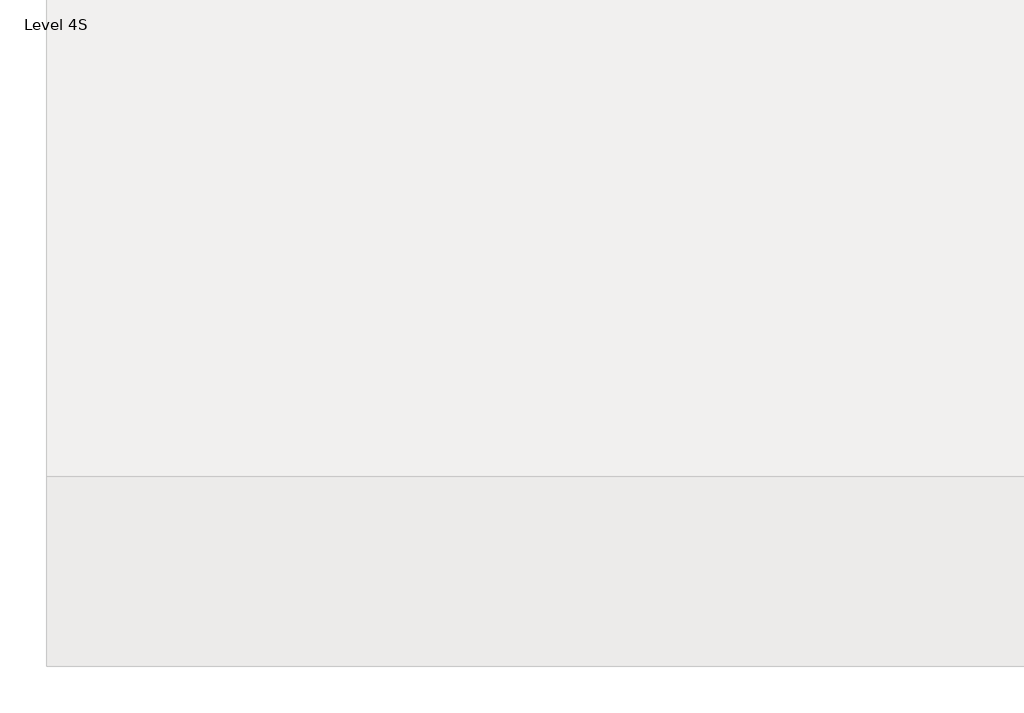
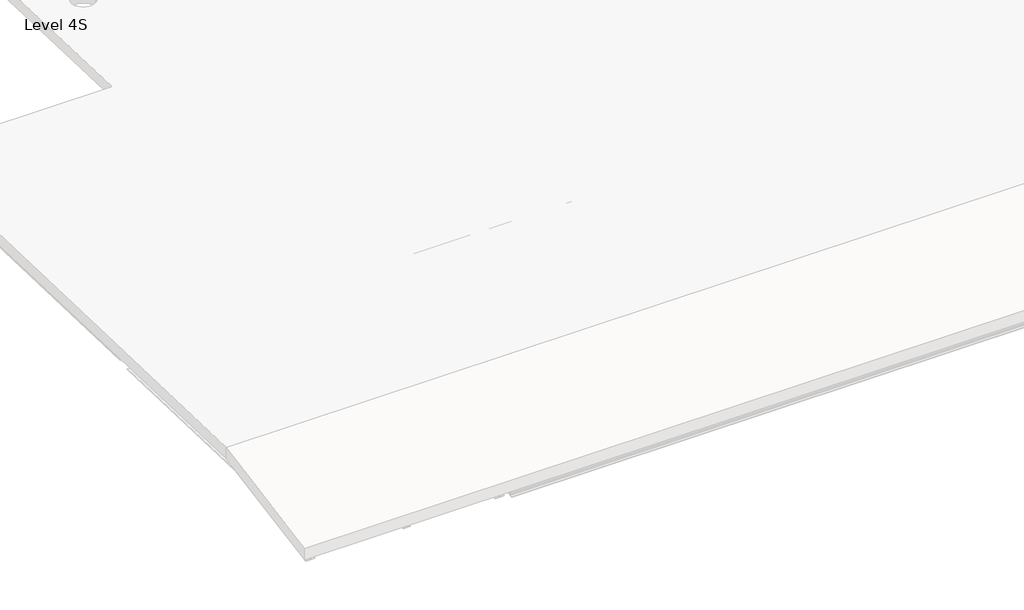
# One storey, part 2 of 15: 6 beams.
"""IFC4 building model written with IfcOpenShell, lengths in millimetres."""

from ifc_helpers import new_model, si_unit, frame, origin, place, context, project, spatial, polyline, circle_curve, ellipse_curve, element, save
from ifc_brep_helpers import plane_surface, revolved_surface, advanced_brep

model = new_model("IFC4")

# Units and contexts
model_context = context("Model", 3, world=origin())
ifc_project = project(units=[si_unit("LENGTHUNIT", "METRE", prefix="MILLI")], contexts=[model_context])

# Site, building, storey
site = spatial("IfcSite", under=ifc_project)
building = spatial("IfcBuilding", under=site)
storey = spatial("IfcBuildingStorey", under=building, Name="Level 4S", Elevation=15900.0)

# Beams
placement = place(None, origin())
element("IfcBeam", 1, ObjectType="IPE-Section : IPE 240", at=placement, inside=storey, context=model_context, shape_type="AdvancedBrep", body=[
    advanced_brep(
    [(-55658.8249186, -17939.7743579, 14716.8256418), (-55616.9249186, -17939.7743579, 14716.8256418), (-55601.9249186, -17939.2904535, 14731.8178343), (-55601.9249186, -17933.1480945, 14922.1187314), (-55616.9249186, -17932.6641901, 14937.1109239), (-55658.8249186, -17932.6641901, 14937.1109239), (-55658.8249186, -17932.3480393, 14946.905823), (-55538.8249186, -17932.3480393, 14946.905823), (-55538.8249186, -17932.6641901, 14937.1109239), (-55580.7249186, -17932.6641901, 14937.1109239), (-55595.7249186, -17933.1480945, 14922.1187314), (-55595.7249186, -17939.2904535, 14731.8178343), (-55580.7249186, -17939.7743579, 14716.8256418), (-55538.8249186, -17939.7743579, 14716.8256418), (-55538.8249186, -17940.0905087, 14707.0307427), (-55658.8249186, -17940.0905087, 14707.0307427), (-55658.8249186, -21092.1754011, 14818.5759721), (-55616.9249186, -21092.1754011, 14818.5759721), (-55601.9249186, -21093.2402347, 14833.6181534), (-55601.9249186, -21106.7565219, 15024.5535743), (-55616.9249186, -21107.8213555, 15039.5957556), (-55658.8249186, -21107.8213555, 15039.5957556), (-55658.8249186, -21108.5170467, 15049.423314), (-55538.8249186, -21108.5170467, 15049.423314), (-55538.8249186, -21107.8213555, 15039.5957556), (-55580.7249186, -21107.8213555, 15039.5957556), (-55595.7249186, -21106.7565219, 15024.5535743), (-55595.7249186, -21093.2402347, 14833.6181534), (-55580.7249186, -21092.1754011, 14818.5759721), (-55538.8249186, -21092.1754011, 14818.5759721), (-55538.8249186, -21091.4797099, 14808.7484137), (-55658.8249186, -21091.4797099, 14808.7484137)],
    [
        (0, 1),
        (1, 2, circle_curve(frame((-55616.9249186, -17939.2904535, 14731.8178343), z_axis=(0.0, -0.9994795014102584, 0.032260289222220004), x_axis=(1.0, 0.0, 0.0)), 15.0)),
        (2, 3),
        (3, 4, circle_curve(frame((-55616.9249186, -17933.1480945, 14922.1187314), z_axis=(0.0, -0.9994795014102584, 0.032260289222220004), x_axis=(1.0, 0.0, 0.0)), 15.0)),
        (4, 5),
        (5, 6),
        (6, 7),
        (7, 8),
        (8, 9),
        (9, 10, circle_curve(frame((-55580.7249186, -17933.1480945, 14922.1187314), z_axis=(0.0, -0.9994795014102584, 0.032260289222220004), x_axis=(1.0, 0.0, 0.0)), 15.0)),
        (10, 11),
        (11, 12, circle_curve(frame((-55580.7249186, -17939.2904535, 14731.8178343), z_axis=(0.0, -0.9994795014102584, 0.032260289222220004), x_axis=(1.0, 0.0, 0.0)), 15.0)),
        (12, 13),
        (13, 14),
        (14, 15),
        (15, 0),
        (0, 16),
        (16, 17),
        (17, 1),
        (17, 18, ellipse_curve(frame((-55616.9249186, -21093.2402347, 14833.6181534), z_axis=(0.0, -0.997503777423542, -0.07061312927327876), x_axis=(0.0, -0.07061312927327813, 0.997503777423542)), 15.0798239, 15.0)),
        (18, 2),
        (18, 19),
        (19, 3),
        (19, 20, ellipse_curve(frame((-55616.9249186, -21106.7565219, 15024.5535743), z_axis=(0.0, -0.997503777423542, -0.07061312927327876), x_axis=(0.0, -0.07061312927327813, 0.997503777423542)), 15.0798239, 15.0)),
        (20, 4),
        (20, 21),
        (21, 5),
        (21, 22),
        (22, 6),
        (22, 23),
        (23, 7),
        (23, 24),
        (24, 8),
        (24, 25),
        (25, 9),
        (25, 26, ellipse_curve(frame((-55580.7249186, -21106.7565219, 15024.5535743), z_axis=(0.0, -0.997503777423542, -0.07061312927327876), x_axis=(0.0, -0.07061312927327813, 0.997503777423542)), 15.0798239, 15.0)),
        (26, 10),
        (26, 27),
        (27, 11),
        (27, 28, ellipse_curve(frame((-55580.7249186, -21093.2402347, 14833.6181534), z_axis=(0.0, -0.997503777423542, -0.07061312927327876), x_axis=(0.0, -0.07061312927327813, 0.997503777423542)), 15.0798239, 15.0)),
        (28, 12),
        (28, 29),
        (29, 13),
        (29, 30),
        (30, 14),
        (30, 31),
        (31, 15),
        (31, 16),
    ],
    [
        plane_surface(frame((-55598.8249186, -17936.219274, 14826.9682829), z_axis=(0.0, 0.9994795014102584, -0.032260289222220004), x_axis=(0.0, 0.032260289222220004, 0.9994795014102584))),
        plane_surface(frame((-55658.8249186, -17939.7743579, 14716.8256418), z_axis=(0.0, 0.032260289222220004, 0.9994795014102584), x_axis=(0.0, -0.9994795014102584, 0.032260289222220004))),
        revolved_surface(polyline([(-55601.9249186, -21094.788972595194, 14833.668142107876), (-55601.9249186, -17939.2904535, 14731.8178343)]), (-55616.9249186, -17939.2904535, 14731.8178343), (0.0, -0.9994795014102584, 0.032260289222220004)),
        plane_surface(frame((-55601.9249186, -17939.2904535, 14731.8178343), z_axis=(-1.0, 0.0, 0.0), x_axis=(0.0, -0.9994795014102584, 0.032260289222220004))),
        revolved_surface(polyline([(-55601.9249186, -21108.30525983797, 15024.603563090172), (-55601.9249186, -17933.148094437714, 14922.11873139799)]), (-55616.9249186, -17933.1480945, 14922.1187314), (0.0, -0.9994795014102584, 0.032260289222220004)),
        plane_surface(frame((-55616.9249186, -17932.6641901, 14937.1109239), z_axis=(0.0, -0.032260289222220004, -0.9994795014102584), x_axis=(0.0, -0.9994795014102584, 0.032260289222220004))),
        plane_surface(frame((-55658.8249186, -17932.6641901, 14937.1109239), z_axis=(-1.0, 0.0, 0.0), x_axis=(0.0, -0.9994795014102584, 0.032260289222220004))),
        plane_surface(frame((-55658.8249186, -17932.3480393, 14946.905823), z_axis=(0.0, 0.032260289222220004, 0.9994795014102584), x_axis=(0.0, -0.9994795014102584, 0.032260289222220004))),
        plane_surface(frame((-55538.8249186, -17932.3480393, 14946.905823), z_axis=(1.0, 0.0, 0.0), x_axis=(0.0, -0.9994795014102584, 0.032260289222220004))),
        plane_surface(frame((-55538.8249186, -17932.6641901, 14937.1109239), z_axis=(0.0, -0.032260289222220004, -0.9994795014102584), x_axis=(0.0, -0.9994795014102584, 0.032260289222220004))),
        revolved_surface(polyline([(-55565.7249186, -21108.30525983797, 15024.603563090172), (-55565.7249186, -17933.148094437714, 14922.11873139799)]), (-55580.7249186, -17933.1480945, 14922.1187314), (0.0, -0.9994795014102584, 0.032260289222220004)),
        plane_surface(frame((-55595.7249186, -17933.1480945, 14922.1187314), z_axis=(1.0, 0.0, 0.0), x_axis=(0.0, -0.9994795014102584, 0.032260289222220004))),
        revolved_surface(polyline([(-55565.7249186, -21094.788972595194, 14833.668142107876), (-55565.7249186, -17939.2904535, 14731.8178343)]), (-55580.7249186, -17939.2904535, 14731.8178343), (0.0, -0.9994795014102584, 0.032260289222220004)),
        plane_surface(frame((-55580.7249186, -17939.7743579, 14716.8256418), z_axis=(0.0, 0.032260289222220004, 0.9994795014102584), x_axis=(0.0, -0.9994795014102584, 0.032260289222220004))),
        plane_surface(frame((-55538.8249186, -17939.7743579, 14716.8256418), z_axis=(1.0, 0.0, 0.0), x_axis=(0.0, -0.9994795014102584, 0.032260289222220004))),
        plane_surface(frame((-55538.8249186, -17940.0905087, 14707.0307427), z_axis=(0.0, -0.032260289222220004, -0.9994795014102584), x_axis=(0.0, -0.9994795014102584, 0.032260289222220004))),
        plane_surface(frame((-55658.8249186, -17940.0905087, 14707.0307427), z_axis=(-1.0, 0.0, 0.0), x_axis=(0.0, -0.9994795014102584, 0.032260289222220004))),
        plane_surface(frame((-55598.8249186, -21108.5170467, 15049.423314), z_axis=(0.0, -0.997503777423542, -0.07061312927327876), x_axis=(1.0, 0.0, 0.0))),
    ],
    [
        (0, [[1, 2, 3, 4, 5, 6, 7, 8, 9, 10, 11, 12, 13, 14, 15, 16]]),
        (1, [[-1, 17, 18, 19]]),
        (2, [[-2, -19, 20, 21]]),
        (3, [[-3, -21, 22, 23]]),
        (4, [[-4, -23, 24, 25]]),
        (5, [[-5, -25, 26, 27]]),
        (6, [[-6, -27, 28, 29]]),
        (7, [[-7, -29, 30, 31]]),
        (8, [[-8, -31, 32, 33]]),
        (9, [[-9, -33, 34, 35]]),
        (10, [[-10, -35, 36, 37]]),
        (11, [[-11, -37, 38, 39]]),
        (12, [[-12, -39, 40, 41]]),
        (13, [[-13, -41, 42, 43]]),
        (14, [[-14, -43, 44, 45]]),
        (15, [[-15, -45, 46, 47]]),
        (16, [[-16, -47, 48, -17]]),
        (17, [[-48, -46, -44, -42, -40, -38, -36, -34, -32, -30, -28, -26, -24, -22, -20, -18]]),
    ],
),
])
element("IfcBeam", 2, ObjectType="IPE-Section : IPE 240", at=placement, inside=storey, context=model_context, shape_type="AdvancedBrep", body=[
    advanced_brep(
    [(-52753.8249186, -23184.2185102, 14451.6833208), (-52753.8249186, -23182.5256682, 14442.0306379), (-52633.8249186, -23182.5256682, 14442.0306379), (-52633.8249186, -23184.2185102, 14451.6833208), (-52675.7249186, -23184.2185102, 14451.6833208), (-52690.7249186, -23186.8095949, 14466.4578353), (-52690.7249186, -23219.6990962, 14653.9956734), (-52675.7249186, -23222.2901809, 14668.7701879), (-52633.8249186, -23222.2901809, 14668.7701879), (-52633.8249186, -23223.9830229, 14678.4228708), (-52753.8249186, -23223.9830229, 14678.4228708), (-52753.8249186, -23222.2901809, 14668.7701879), (-52711.9249186, -23222.2901809, 14668.7701879), (-52696.9249186, -23219.6990962, 14653.9956734), (-52696.9249186, -23186.8095949, 14466.4578353), (-52711.9249186, -23184.2185102, 14451.6833208), (-52711.9249186, -21092.1754011, 14818.5759721), (-52753.8249186, -21092.1754011, 14818.5759721), (-52696.9249186, -21093.2402347, 14833.6181534), (-52696.9249186, -21106.7565219, 15024.5535743), (-52711.9249186, -21107.8213555, 15039.5957556), (-52753.8249186, -21107.8213555, 15039.5957556), (-52753.8249186, -21108.5170467, 15049.423314), (-52633.8249186, -21108.5170467, 15049.423314), (-52633.8249186, -21107.8213555, 15039.5957556), (-52675.7249186, -21107.8213555, 15039.5957556), (-52690.7249186, -21106.7565219, 15024.5535743), (-52690.7249186, -21093.2402347, 14833.6181534), (-52675.7249186, -21092.1754011, 14818.5759721), (-52633.8249186, -21092.1754011, 14818.5759721), (-52633.8249186, -21091.4797099, 14808.7484137), (-52753.8249186, -21091.4797099, 14808.7484137)],
    [
        (0, 1),
        (1, 2),
        (2, 3),
        (3, 4),
        (4, 5, circle_curve(frame((-52675.7249186, -23186.8095949, 14466.4578353), z_axis=(0.0, 0.9849676368369048, 0.17273897760471782), x_axis=(1.0, 0.0, 0.0)), 15.0)),
        (5, 6),
        (6, 7, circle_curve(frame((-52675.7249186, -23219.6990962, 14653.9956734), z_axis=(0.0, 0.9849676368369048, 0.17273897760471782), x_axis=(1.0, 0.0, 0.0)), 15.0)),
        (7, 8),
        (8, 9),
        (9, 10),
        (10, 11),
        (11, 12),
        (12, 13, circle_curve(frame((-52711.9249186, -23219.6990962, 14653.9956734), z_axis=(0.0, 0.9849676368369048, 0.17273897760471782), x_axis=(1.0, 0.0, 0.0)), 15.0)),
        (13, 14),
        (14, 15, circle_curve(frame((-52711.9249186, -23186.8095949, 14466.4578353), z_axis=(0.0, 0.9849676368369048, 0.17273897760471782), x_axis=(1.0, 0.0, 0.0)), 15.0)),
        (15, 0),
        (16, 17),
        (17, 0),
        (15, 16),
        (18, 16, ellipse_curve(frame((-52711.9249186, -21093.2402347, 14833.6181534), z_axis=(0.0, 0.9975037774235432, 0.07061312927326088), x_axis=(0.0, 0.07061312927326037, -0.9975037774235433)), 15.0798239, 15.0)),
        (14, 18),
        (19, 18),
        (13, 19),
        (20, 19, ellipse_curve(frame((-52711.9249186, -21106.7565219, 15024.5535743), z_axis=(0.0, 0.9975037774235432, 0.07061312927326088), x_axis=(0.0, 0.07061312927326037, -0.9975037774235433)), 15.0798239, 15.0)),
        (12, 20),
        (21, 20),
        (11, 21),
        (22, 21),
        (10, 22),
        (23, 22),
        (9, 23),
        (24, 23),
        (8, 24),
        (25, 24),
        (7, 25),
        (26, 25, ellipse_curve(frame((-52675.7249186, -21106.7565219, 15024.5535743), z_axis=(0.0, 0.9975037774235432, 0.07061312927326088), x_axis=(0.0, 0.07061312927326037, -0.9975037774235433)), 15.0798239, 15.0)),
        (6, 26),
        (27, 26),
        (5, 27),
        (28, 27, ellipse_curve(frame((-52675.7249186, -21093.2402347, 14833.6181534), z_axis=(0.0, 0.9975037774235432, 0.07061312927326088), x_axis=(0.0, 0.07061312927326037, -0.9975037774235433)), 15.0798239, 15.0)),
        (4, 28),
        (29, 28),
        (3, 29),
        (30, 29),
        (2, 30),
        (31, 30),
        (1, 31),
        (17, 31),
    ],
    [
        plane_surface(frame((-52693.8249186, -23203.2543455, 14560.2267544), z_axis=(0.0, -0.9849676368369048, -0.17273897760471782), x_axis=(0.0, -0.17273897760471782, 0.9849676368369048))),
        plane_surface(frame((-52753.8249186, -21068.7525341, 14822.683764), z_axis=(0.0, -0.17273897760471782, 0.9849676368369048), x_axis=(0.0, -0.9849676368369048, -0.17273897760471782))),
        revolved_surface(polyline([(-52696.9249186, -23186.809594902814, 14466.457835316045), (-52696.9249186, -21091.71398358211, 14833.885820103322)]), (-52711.9249186, -21071.3436187, 14837.4582786), (0.0, -0.9849676368369048, -0.17273897760471782)),
        plane_surface(frame((-52696.9249186, -21071.3436187, 14837.4582786), z_axis=(-1.0, 0.0, 0.0), x_axis=(0.0, -0.9849676368369048, -0.17273897760471782))),
        revolved_surface(polyline([(-52696.9249186, -23219.6990962496, 14653.99567342538), (-52696.9249186, -21105.230270801516, 15024.821241113985)]), (-52711.9249186, -21104.2331201, 15024.9961167), (0.0, -0.9849676368369048, -0.17273897760471782)),
        plane_surface(frame((-52711.9249186, -21106.8242047, 15039.7706312), z_axis=(0.0, 0.17273897760471782, -0.9849676368369048), x_axis=(0.0, -0.9849676368369048, -0.17273897760471782))),
        plane_surface(frame((-52753.8249186, -21106.8242047, 15039.7706312), z_axis=(-1.0, 0.0, 0.0), x_axis=(0.0, -0.9849676368369048, -0.17273897760471782))),
        plane_surface(frame((-52753.8249186, -21108.5170467, 15049.423314), z_axis=(0.0, -0.17273897760471782, 0.9849676368369048), x_axis=(0.0, -0.9849676368369048, -0.17273897760471782))),
        plane_surface(frame((-52633.8249186, -21108.5170467, 15049.423314), z_axis=(1.0, 0.0, 0.0), x_axis=(0.0, -0.9849676368369048, -0.17273897760471782))),
        plane_surface(frame((-52633.8249186, -21106.8242047, 15039.7706312), z_axis=(0.0, 0.17273897760471782, -0.9849676368369048), x_axis=(0.0, -0.9849676368369048, -0.17273897760471782))),
        revolved_surface(polyline([(-52660.7249186, -23219.6990962496, 14653.99567342538), (-52660.7249186, -21105.230270801516, 15024.821241113985)]), (-52675.7249186, -21104.2331201, 15024.9961167), (0.0, -0.9849676368369048, -0.17273897760471782)),
        plane_surface(frame((-52690.7249186, -21104.2331201, 15024.9961167), z_axis=(1.0, 0.0, 0.0), x_axis=(0.0, -0.9849676368369048, -0.17273897760471782))),
        revolved_surface(polyline([(-52660.7249186, -23186.809594902814, 14466.457835316045), (-52660.7249186, -21091.71398358211, 14833.885820103322)]), (-52675.7249186, -21071.3436187, 14837.4582786), (0.0, -0.9849676368369048, -0.17273897760471782)),
        plane_surface(frame((-52675.7249186, -21068.7525341, 14822.683764), z_axis=(0.0, -0.17273897760471782, 0.9849676368369048), x_axis=(0.0, -0.9849676368369048, -0.17273897760471782))),
        plane_surface(frame((-52633.8249186, -21068.7525341, 14822.683764), z_axis=(1.0, 0.0, 0.0), x_axis=(0.0, -0.9849676368369048, -0.17273897760471782))),
        plane_surface(frame((-52633.8249186, -21067.0596921, 14813.0310812), z_axis=(0.0, 0.17273897760471782, -0.9849676368369048), x_axis=(0.0, -0.9849676368369048, -0.17273897760471782))),
        plane_surface(frame((-52753.8249186, -21067.0596921, 14813.0310812), z_axis=(-1.0, 0.0, 0.0), x_axis=(0.0, -0.9849676368369048, -0.17273897760471782))),
        plane_surface(frame((-52693.8249186, -21108.5170467, 15049.423314), z_axis=(0.0, 0.9975037774235432, 0.07061312927326088), x_axis=(1.0, 0.0, 0.0))),
    ],
    [
        (0, [[1, 2, 3, 4, 5, 6, 7, 8, 9, 10, 11, 12, 13, 14, 15, 16]]),
        (1, [[17, 18, -16, 19]]),
        (2, [[20, -19, -15, 21]]),
        (3, [[22, -21, -14, 23]]),
        (4, [[24, -23, -13, 25]]),
        (5, [[26, -25, -12, 27]]),
        (6, [[28, -27, -11, 29]]),
        (7, [[30, -29, -10, 31]]),
        (8, [[32, -31, -9, 33]]),
        (9, [[34, -33, -8, 35]]),
        (10, [[36, -35, -7, 37]]),
        (11, [[38, -37, -6, 39]]),
        (12, [[40, -39, -5, 41]]),
        (13, [[42, -41, -4, 43]]),
        (14, [[44, -43, -3, 45]]),
        (15, [[46, -45, -2, 47]]),
        (16, [[48, -47, -1, -18]]),
        (17, [[-17, -20, -22, -24, -26, -28, -30, -32, -34, -36, -38, -40, -42, -44, -46, -48]]),
    ],
),
])
element("IfcBeam", 3, ObjectType="IPE-Section : IPE 240", at=placement, inside=storey, context=model_context, shape_type="AdvancedBrep", body=[
    advanced_brep(
    [(-49872.5749186, -23184.2185102, 14451.6833208), (-49872.5749186, -23182.5256682, 14442.0306379), (-49752.5749186, -23182.5256682, 14442.0306379), (-49752.5749186, -23184.2185102, 14451.6833208), (-49794.4749186, -23184.2185102, 14451.6833208), (-49809.4749186, -23186.8095949, 14466.4578353), (-49809.4749186, -23219.6990962, 14653.9956734), (-49794.4749186, -23222.2901809, 14668.7701879), (-49752.5749186, -23222.2901809, 14668.7701879), (-49752.5749186, -23223.9830229, 14678.4228708), (-49872.5749186, -23223.9830229, 14678.4228708), (-49872.5749186, -23222.2901809, 14668.7701879), (-49830.6749186, -23222.2901809, 14668.7701879), (-49815.6749186, -23219.6990962, 14653.9956734), (-49815.6749186, -23186.8095949, 14466.4578353), (-49830.6749186, -23184.2185102, 14451.6833208), (-49830.6749186, -21092.1754011, 14818.5759721), (-49872.5749186, -21092.1754011, 14818.5759721), (-49815.6749186, -21093.2402347, 14833.6181534), (-49815.6749186, -21106.7565219, 15024.5535743), (-49830.6749186, -21107.8213555, 15039.5957556), (-49872.5749186, -21107.8213555, 15039.5957556), (-49872.5749186, -21108.5170467, 15049.423314), (-49752.5749186, -21108.5170467, 15049.423314), (-49752.5749186, -21107.8213555, 15039.5957556), (-49794.4749186, -21107.8213555, 15039.5957556), (-49809.4749186, -21106.7565219, 15024.5535743), (-49809.4749186, -21093.2402347, 14833.6181534), (-49794.4749186, -21092.1754011, 14818.5759721), (-49752.5749186, -21092.1754011, 14818.5759721), (-49752.5749186, -21091.4797099, 14808.7484137), (-49872.5749186, -21091.4797099, 14808.7484137)],
    [
        (0, 1),
        (1, 2),
        (2, 3),
        (3, 4),
        (4, 5, circle_curve(frame((-49794.4749186, -23186.8095949, 14466.4578353), z_axis=(0.0, 0.9849676368369048, 0.17273897760471782), x_axis=(1.0, 0.0, 0.0)), 15.0)),
        (5, 6),
        (6, 7, circle_curve(frame((-49794.4749186, -23219.6990962, 14653.9956734), z_axis=(0.0, 0.9849676368369048, 0.17273897760471782), x_axis=(1.0, 0.0, 0.0)), 15.0)),
        (7, 8),
        (8, 9),
        (9, 10),
        (10, 11),
        (11, 12),
        (12, 13, circle_curve(frame((-49830.6749186, -23219.6990962, 14653.9956734), z_axis=(0.0, 0.9849676368369048, 0.17273897760471782), x_axis=(1.0, 0.0, 0.0)), 15.0)),
        (13, 14),
        (14, 15, circle_curve(frame((-49830.6749186, -23186.8095949, 14466.4578353), z_axis=(0.0, 0.9849676368369048, 0.17273897760471782), x_axis=(1.0, 0.0, 0.0)), 15.0)),
        (15, 0),
        (16, 17),
        (17, 0),
        (15, 16),
        (18, 16, ellipse_curve(frame((-49830.6749186, -21093.2402347, 14833.6181534), z_axis=(0.0, 0.9975037774235432, 0.07061312927326088), x_axis=(0.0, 0.07061312927326037, -0.9975037774235433)), 15.0798239, 15.0)),
        (14, 18),
        (19, 18),
        (13, 19),
        (20, 19, ellipse_curve(frame((-49830.6749186, -21106.7565219, 15024.5535743), z_axis=(0.0, 0.9975037774235432, 0.07061312927326088), x_axis=(0.0, 0.07061312927326037, -0.9975037774235433)), 15.0798239, 15.0)),
        (12, 20),
        (21, 20),
        (11, 21),
        (22, 21),
        (10, 22),
        (23, 22),
        (9, 23),
        (24, 23),
        (8, 24),
        (25, 24),
        (7, 25),
        (26, 25, ellipse_curve(frame((-49794.4749186, -21106.7565219, 15024.5535743), z_axis=(0.0, 0.9975037774235432, 0.07061312927326088), x_axis=(0.0, 0.07061312927326037, -0.9975037774235433)), 15.0798239, 15.0)),
        (6, 26),
        (27, 26),
        (5, 27),
        (28, 27, ellipse_curve(frame((-49794.4749186, -21093.2402347, 14833.6181534), z_axis=(0.0, 0.9975037774235432, 0.07061312927326088), x_axis=(0.0, 0.07061312927326037, -0.9975037774235433)), 15.0798239, 15.0)),
        (4, 28),
        (29, 28),
        (3, 29),
        (30, 29),
        (2, 30),
        (31, 30),
        (1, 31),
        (17, 31),
    ],
    [
        plane_surface(frame((-49812.5749186, -23203.2543455, 14560.2267544), z_axis=(0.0, -0.9849676368369048, -0.17273897760471782), x_axis=(0.0, -0.17273897760471782, 0.9849676368369048))),
        plane_surface(frame((-49872.5749186, -21068.7525341, 14822.683764), z_axis=(0.0, -0.17273897760471782, 0.9849676368369048), x_axis=(0.0, -0.9849676368369048, -0.17273897760471782))),
        revolved_surface(polyline([(-49815.6749186, -23186.809594902814, 14466.457835316045), (-49815.6749186, -21091.71398358211, 14833.885820103322)]), (-49830.6749186, -21071.3436187, 14837.4582786), (0.0, -0.9849676368369048, -0.17273897760471782)),
        plane_surface(frame((-49815.6749186, -21071.3436187, 14837.4582786), z_axis=(-1.0, 0.0, 0.0), x_axis=(0.0, -0.9849676368369048, -0.17273897760471782))),
        revolved_surface(polyline([(-49815.6749186, -23219.6990962496, 14653.99567342538), (-49815.6749186, -21105.230270801516, 15024.821241113985)]), (-49830.6749186, -21104.2331201, 15024.9961167), (0.0, -0.9849676368369048, -0.17273897760471782)),
        plane_surface(frame((-49830.6749186, -21106.8242047, 15039.7706312), z_axis=(0.0, 0.17273897760471782, -0.9849676368369048), x_axis=(0.0, -0.9849676368369048, -0.17273897760471782))),
        plane_surface(frame((-49872.5749186, -21106.8242047, 15039.7706312), z_axis=(-1.0, 0.0, 0.0), x_axis=(0.0, -0.9849676368369048, -0.17273897760471782))),
        plane_surface(frame((-49872.5749186, -21108.5170467, 15049.423314), z_axis=(0.0, -0.17273897760471782, 0.9849676368369048), x_axis=(0.0, -0.9849676368369048, -0.17273897760471782))),
        plane_surface(frame((-49752.5749186, -21108.5170467, 15049.423314), z_axis=(1.0, 0.0, 0.0), x_axis=(0.0, -0.9849676368369048, -0.17273897760471782))),
        plane_surface(frame((-49752.5749186, -21106.8242047, 15039.7706312), z_axis=(0.0, 0.17273897760471782, -0.9849676368369048), x_axis=(0.0, -0.9849676368369048, -0.17273897760471782))),
        revolved_surface(polyline([(-49779.4749186, -23219.6990962496, 14653.99567342538), (-49779.4749186, -21105.230270801516, 15024.821241113985)]), (-49794.4749186, -21104.2331201, 15024.9961167), (0.0, -0.9849676368369048, -0.17273897760471782)),
        plane_surface(frame((-49809.4749186, -21104.2331201, 15024.9961167), z_axis=(1.0, 0.0, 0.0), x_axis=(0.0, -0.9849676368369048, -0.17273897760471782))),
        revolved_surface(polyline([(-49779.4749186, -23186.809594902814, 14466.457835316045), (-49779.4749186, -21091.71398358211, 14833.885820103322)]), (-49794.4749186, -21071.3436187, 14837.4582786), (0.0, -0.9849676368369048, -0.17273897760471782)),
        plane_surface(frame((-49794.4749186, -21068.7525341, 14822.683764), z_axis=(0.0, -0.17273897760471782, 0.9849676368369048), x_axis=(0.0, -0.9849676368369048, -0.17273897760471782))),
        plane_surface(frame((-49752.5749186, -21068.7525341, 14822.683764), z_axis=(1.0, 0.0, 0.0), x_axis=(0.0, -0.9849676368369048, -0.17273897760471782))),
        plane_surface(frame((-49752.5749186, -21067.0596921, 14813.0310812), z_axis=(0.0, 0.17273897760471782, -0.9849676368369048), x_axis=(0.0, -0.9849676368369048, -0.17273897760471782))),
        plane_surface(frame((-49872.5749186, -21067.0596921, 14813.0310812), z_axis=(-1.0, 0.0, 0.0), x_axis=(0.0, -0.9849676368369048, -0.17273897760471782))),
        plane_surface(frame((-49812.5749186, -21108.5170467, 15049.423314), z_axis=(0.0, 0.9975037774235432, 0.07061312927326088), x_axis=(1.0, 0.0, 0.0))),
    ],
    [
        (0, [[1, 2, 3, 4, 5, 6, 7, 8, 9, 10, 11, 12, 13, 14, 15, 16]]),
        (1, [[17, 18, -16, 19]]),
        (2, [[20, -19, -15, 21]]),
        (3, [[22, -21, -14, 23]]),
        (4, [[24, -23, -13, 25]]),
        (5, [[26, -25, -12, 27]]),
        (6, [[28, -27, -11, 29]]),
        (7, [[30, -29, -10, 31]]),
        (8, [[32, -31, -9, 33]]),
        (9, [[34, -33, -8, 35]]),
        (10, [[36, -35, -7, 37]]),
        (11, [[38, -37, -6, 39]]),
        (12, [[40, -39, -5, 41]]),
        (13, [[42, -41, -4, 43]]),
        (14, [[44, -43, -3, 45]]),
        (15, [[46, -45, -2, 47]]),
        (16, [[48, -47, -1, -18]]),
        (17, [[-17, -20, -22, -24, -26, -28, -30, -32, -34, -36, -38, -40, -42, -44, -46, -48]]),
    ],
),
])
element("IfcBeam", 4, ObjectType="IPE-Section : IPE 240", at=placement, inside=storey, context=model_context, shape_type="AdvancedBrep", body=[
    advanced_brep(
    [(-48317.5749186, -23184.2185102, 14451.6833208), (-48317.5749186, -23182.5256682, 14442.0306379), (-48197.5749186, -23182.5256682, 14442.0306379), (-48197.5749186, -23184.2185102, 14451.6833208), (-48239.4749186, -23184.2185102, 14451.6833208), (-48254.4749186, -23186.8095949, 14466.4578353), (-48254.4749186, -23219.6990962, 14653.9956734), (-48239.4749186, -23222.2901809, 14668.7701879), (-48197.5749186, -23222.2901809, 14668.7701879), (-48197.5749186, -23223.9830229, 14678.4228708), (-48317.5749186, -23223.9830229, 14678.4228708), (-48317.5749186, -23222.2901809, 14668.7701879), (-48275.6749186, -23222.2901809, 14668.7701879), (-48260.6749186, -23219.6990962, 14653.9956734), (-48260.6749186, -23186.8095949, 14466.4578353), (-48275.6749186, -23184.2185102, 14451.6833208), (-48275.6749186, -21092.1754011, 14818.5759721), (-48317.5749186, -21092.1754011, 14818.5759721), (-48260.6749186, -21093.2402347, 14833.6181534), (-48260.6749186, -21106.7565219, 15024.5535743), (-48275.6749186, -21107.8213555, 15039.5957556), (-48317.5749186, -21107.8213555, 15039.5957556), (-48317.5749186, -21108.5170467, 15049.423314), (-48197.5749186, -21108.5170467, 15049.423314), (-48197.5749186, -21107.8213555, 15039.5957556), (-48239.4749186, -21107.8213555, 15039.5957556), (-48254.4749186, -21106.7565219, 15024.5535743), (-48254.4749186, -21093.2402347, 14833.6181534), (-48239.4749186, -21092.1754011, 14818.5759721), (-48197.5749186, -21092.1754011, 14818.5759721), (-48197.5749186, -21091.4797099, 14808.7484137), (-48317.5749186, -21091.4797099, 14808.7484137)],
    [
        (0, 1),
        (1, 2),
        (2, 3),
        (3, 4),
        (4, 5, circle_curve(frame((-48239.4749186, -23186.8095949, 14466.4578353), z_axis=(0.0, 0.9849676368369048, 0.17273897760471782), x_axis=(1.0, 0.0, 0.0)), 15.0)),
        (5, 6),
        (6, 7, circle_curve(frame((-48239.4749186, -23219.6990962, 14653.9956734), z_axis=(0.0, 0.9849676368369048, 0.17273897760471782), x_axis=(1.0, 0.0, 0.0)), 15.0)),
        (7, 8),
        (8, 9),
        (9, 10),
        (10, 11),
        (11, 12),
        (12, 13, circle_curve(frame((-48275.6749186, -23219.6990962, 14653.9956734), z_axis=(0.0, 0.9849676368369048, 0.17273897760471782), x_axis=(1.0, 0.0, 0.0)), 15.0)),
        (13, 14),
        (14, 15, circle_curve(frame((-48275.6749186, -23186.8095949, 14466.4578353), z_axis=(0.0, 0.9849676368369048, 0.17273897760471782), x_axis=(1.0, 0.0, 0.0)), 15.0)),
        (15, 0),
        (16, 17),
        (17, 0),
        (15, 16),
        (18, 16, ellipse_curve(frame((-48275.6749186, -21093.2402347, 14833.6181534), z_axis=(0.0, 0.9975037774235432, 0.07061312927326088), x_axis=(0.0, 0.07061312927326037, -0.9975037774235433)), 15.0798239, 15.0)),
        (14, 18),
        (19, 18),
        (13, 19),
        (20, 19, ellipse_curve(frame((-48275.6749186, -21106.7565219, 15024.5535743), z_axis=(0.0, 0.9975037774235432, 0.07061312927326088), x_axis=(0.0, 0.07061312927326037, -0.9975037774235433)), 15.0798239, 15.0)),
        (12, 20),
        (21, 20),
        (11, 21),
        (22, 21),
        (10, 22),
        (23, 22),
        (9, 23),
        (24, 23),
        (8, 24),
        (25, 24),
        (7, 25),
        (26, 25, ellipse_curve(frame((-48239.4749186, -21106.7565219, 15024.5535743), z_axis=(0.0, 0.9975037774235432, 0.07061312927326088), x_axis=(0.0, 0.07061312927326037, -0.9975037774235433)), 15.0798239, 15.0)),
        (6, 26),
        (27, 26),
        (5, 27),
        (28, 27, ellipse_curve(frame((-48239.4749186, -21093.2402347, 14833.6181534), z_axis=(0.0, 0.9975037774235432, 0.07061312927326088), x_axis=(0.0, 0.07061312927326037, -0.9975037774235433)), 15.0798239, 15.0)),
        (4, 28),
        (29, 28),
        (3, 29),
        (30, 29),
        (2, 30),
        (31, 30),
        (1, 31),
        (17, 31),
    ],
    [
        plane_surface(frame((-48257.5749186, -23203.2543455, 14560.2267544), z_axis=(0.0, -0.9849676368369048, -0.17273897760471782), x_axis=(0.0, -0.17273897760471782, 0.9849676368369048))),
        plane_surface(frame((-48317.5749186, -21068.7525341, 14822.683764), z_axis=(0.0, -0.17273897760471782, 0.9849676368369048), x_axis=(0.0, -0.9849676368369048, -0.17273897760471782))),
        revolved_surface(polyline([(-48260.6749186, -23186.809594902814, 14466.457835316045), (-48260.6749186, -21091.71398358211, 14833.885820103322)]), (-48275.6749186, -21071.3436187, 14837.4582786), (0.0, -0.9849676368369048, -0.17273897760471782)),
        plane_surface(frame((-48260.6749186, -21071.3436187, 14837.4582786), z_axis=(-1.0, 0.0, 0.0), x_axis=(0.0, -0.9849676368369048, -0.17273897760471782))),
        revolved_surface(polyline([(-48260.6749186, -23219.6990962496, 14653.99567342538), (-48260.6749186, -21105.230270801516, 15024.821241113985)]), (-48275.6749186, -21104.2331201, 15024.9961167), (0.0, -0.9849676368369048, -0.17273897760471782)),
        plane_surface(frame((-48275.6749186, -21106.8242047, 15039.7706312), z_axis=(0.0, 0.17273897760471782, -0.9849676368369048), x_axis=(0.0, -0.9849676368369048, -0.17273897760471782))),
        plane_surface(frame((-48317.5749186, -21106.8242047, 15039.7706312), z_axis=(-1.0, 0.0, 0.0), x_axis=(0.0, -0.9849676368369048, -0.17273897760471782))),
        plane_surface(frame((-48317.5749186, -21108.5170467, 15049.423314), z_axis=(0.0, -0.17273897760471782, 0.9849676368369048), x_axis=(0.0, -0.9849676368369048, -0.17273897760471782))),
        plane_surface(frame((-48197.5749186, -21108.5170467, 15049.423314), z_axis=(1.0, 0.0, 0.0), x_axis=(0.0, -0.9849676368369048, -0.17273897760471782))),
        plane_surface(frame((-48197.5749186, -21106.8242047, 15039.7706312), z_axis=(0.0, 0.17273897760471782, -0.9849676368369048), x_axis=(0.0, -0.9849676368369048, -0.17273897760471782))),
        revolved_surface(polyline([(-48224.4749186, -23219.6990962496, 14653.99567342538), (-48224.4749186, -21105.230270801516, 15024.821241113985)]), (-48239.4749186, -21104.2331201, 15024.9961167), (0.0, -0.9849676368369048, -0.17273897760471782)),
        plane_surface(frame((-48254.4749186, -21104.2331201, 15024.9961167), z_axis=(1.0, 0.0, 0.0), x_axis=(0.0, -0.9849676368369048, -0.17273897760471782))),
        revolved_surface(polyline([(-48224.4749186, -23186.809594902814, 14466.457835316045), (-48224.4749186, -21091.71398358211, 14833.885820103322)]), (-48239.4749186, -21071.3436187, 14837.4582786), (0.0, -0.9849676368369048, -0.17273897760471782)),
        plane_surface(frame((-48239.4749186, -21068.7525341, 14822.683764), z_axis=(0.0, -0.17273897760471782, 0.9849676368369048), x_axis=(0.0, -0.9849676368369048, -0.17273897760471782))),
        plane_surface(frame((-48197.5749186, -21068.7525341, 14822.683764), z_axis=(1.0, 0.0, 0.0), x_axis=(0.0, -0.9849676368369048, -0.17273897760471782))),
        plane_surface(frame((-48197.5749186, -21067.0596921, 14813.0310812), z_axis=(0.0, 0.17273897760471782, -0.9849676368369048), x_axis=(0.0, -0.9849676368369048, -0.17273897760471782))),
        plane_surface(frame((-48317.5749186, -21067.0596921, 14813.0310812), z_axis=(-1.0, 0.0, 0.0), x_axis=(0.0, -0.9849676368369048, -0.17273897760471782))),
        plane_surface(frame((-48257.5749186, -21108.5170467, 15049.423314), z_axis=(0.0, 0.9975037774235432, 0.07061312927326088), x_axis=(1.0, 0.0, 0.0))),
    ],
    [
        (0, [[1, 2, 3, 4, 5, 6, 7, 8, 9, 10, 11, 12, 13, 14, 15, 16]]),
        (1, [[17, 18, -16, 19]]),
        (2, [[20, -19, -15, 21]]),
        (3, [[22, -21, -14, 23]]),
        (4, [[24, -23, -13, 25]]),
        (5, [[26, -25, -12, 27]]),
        (6, [[28, -27, -11, 29]]),
        (7, [[30, -29, -10, 31]]),
        (8, [[32, -31, -9, 33]]),
        (9, [[34, -33, -8, 35]]),
        (10, [[36, -35, -7, 37]]),
        (11, [[38, -37, -6, 39]]),
        (12, [[40, -39, -5, 41]]),
        (13, [[42, -41, -4, 43]]),
        (14, [[44, -43, -3, 45]]),
        (15, [[46, -45, -2, 47]]),
        (16, [[48, -47, -1, -18]]),
        (17, [[-17, -20, -22, -24, -26, -28, -30, -32, -34, -36, -38, -40, -42, -44, -46, -48]]),
    ],
),
])
element("IfcBeam", 5, ObjectType="IPE-Section : IPE 300", at=placement, inside=storey, context=model_context, shape_type="AdvancedBrep", body=[
    advanced_brep(
    [(-54095.0749186, -17959.6622079, 14658.3367862), (-54038.6249186, -17959.6622079, 14658.3367862), (-54023.6249186, -17959.1783035, 14673.3289788), (-54023.6249186, -17951.1583956, 14921.7995828), (-54038.6249186, -17950.6744913, 14936.7917753), (-54095.0749186, -17950.6744913, 14936.7917753), (-54095.0749186, -17950.3293062, 14947.486206), (-53945.0749186, -17950.3293062, 14947.486206), (-53945.0749186, -17950.6744913, 14936.7917753), (-54001.5249186, -17950.6744913, 14936.7917753), (-54016.5249186, -17951.1583956, 14921.7995828), (-54016.5249186, -17959.1783035, 14673.3289788), (-54001.5249186, -17959.6622079, 14658.3367862), (-53945.0749186, -17959.6622079, 14658.3367862), (-53945.0749186, -17960.007393, 14647.6423556), (-54095.0749186, -17960.007393, 14647.6423556), (-54095.0749186, -21087.9799569, 14759.3097779), (-54038.6249186, -21087.9799569, 14759.3097779), (-54023.6249186, -21089.0447905, 14774.3519592), (-54023.6249186, -21106.6926319, 15023.6510435), (-54038.6249186, -21107.7574654, 15038.6932247), (-54095.0749186, -21107.7574654, 15038.6932247), (-54095.0749186, -21108.5170467, 15049.423314), (-53945.0749186, -21108.5170467, 15049.423314), (-53945.0749186, -21107.7574654, 15038.6932247), (-54001.5249186, -21107.7574654, 15038.6932247), (-54016.5249186, -21106.6926319, 15023.6510435), (-54016.5249186, -21089.0447905, 14774.3519592), (-54001.5249186, -21087.9799569, 14759.3097779), (-53945.0749186, -21087.9799569, 14759.3097779), (-53945.0749186, -21087.2203757, 14748.5796886), (-54095.0749186, -21087.2203757, 14748.5796886)],
    [
        (0, 1),
        (1, 2, circle_curve(frame((-54038.6249186, -17959.1783035, 14673.3289788), z_axis=(0.0, -0.9994795014102584, 0.032260289222220004), x_axis=(1.0, 0.0, 0.0)), 15.0)),
        (2, 3),
        (3, 4, circle_curve(frame((-54038.6249186, -17951.1583956, 14921.7995828), z_axis=(0.0, -0.9994795014102584, 0.032260289222220004), x_axis=(1.0, 0.0, 0.0)), 15.0)),
        (4, 5),
        (5, 6),
        (6, 7),
        (7, 8),
        (8, 9),
        (9, 10, circle_curve(frame((-54001.5249186, -17951.1583956, 14921.7995828), z_axis=(0.0, -0.9994795014102584, 0.032260289222220004), x_axis=(1.0, 0.0, 0.0)), 15.0)),
        (10, 11),
        (11, 12, circle_curve(frame((-54001.5249186, -17959.1783035, 14673.3289788), z_axis=(0.0, -0.9994795014102584, 0.032260289222220004), x_axis=(1.0, 0.0, 0.0)), 15.0)),
        (12, 13),
        (13, 14),
        (14, 15),
        (15, 0),
        (0, 16),
        (16, 17),
        (17, 1),
        (17, 18, ellipse_curve(frame((-54038.6249186, -21089.0447905, 14774.3519592), z_axis=(0.0, -0.9975037774235432, -0.07061312927326102), x_axis=(0.0, -0.07061312927326112, 0.9975037774235431)), 15.0798239, 15.0)),
        (18, 2),
        (18, 19),
        (19, 3),
        (19, 20, ellipse_curve(frame((-54038.6249186, -21106.6926319, 15023.6510435), z_axis=(0.0, -0.9975037774235432, -0.07061312927326102), x_axis=(0.0, -0.07061312927326112, 0.9975037774235431)), 15.0798239, 15.0)),
        (20, 4),
        (20, 21),
        (21, 5),
        (21, 22),
        (22, 6),
        (22, 23),
        (23, 7),
        (23, 24),
        (24, 8),
        (24, 25),
        (25, 9),
        (25, 26, ellipse_curve(frame((-54001.5249186, -21106.6926319, 15023.6510435), z_axis=(0.0, -0.9975037774235432, -0.07061312927326102), x_axis=(0.0, -0.07061312927326112, 0.9975037774235431)), 15.0798239, 15.0)),
        (26, 10),
        (26, 27),
        (27, 11),
        (27, 28, ellipse_curve(frame((-54001.5249186, -21089.0447905, 14774.3519592), z_axis=(0.0, -0.9975037774235432, -0.07061312927326102), x_axis=(0.0, -0.07061312927326112, 0.9975037774235431)), 15.0798239, 15.0)),
        (28, 12),
        (28, 29),
        (29, 13),
        (29, 30),
        (30, 14),
        (30, 31),
        (31, 15),
        (31, 16),
    ],
    [
        plane_surface(frame((-54020.0749186, -17955.1683496, 14797.5642808), z_axis=(0.0, 0.9994795014102584, -0.032260289222220004), x_axis=(0.0, 0.032260289222220004, 0.9994795014102584))),
        plane_surface(frame((-54095.0749186, -17959.6622079, 14658.3367862), z_axis=(0.0, 0.032260289222220004, 0.9994795014102584), x_axis=(0.0, -0.9994795014102584, 0.032260289222220004))),
        revolved_surface(polyline([(-54023.6249186, -21090.59352839326, 14774.401947967832), (-54023.6249186, -17959.1783035, 14673.3289788)]), (-54038.6249186, -17959.1783035, 14673.3289788), (0.0, -0.9994795014102584, 0.032260289222220004)),
        plane_surface(frame((-54023.6249186, -17959.1783035, 14673.3289788), z_axis=(-1.0, 0.0, 0.0), x_axis=(0.0, -0.9994795014102584, 0.032260289222220004))),
        revolved_surface(polyline([(-54023.6249186, -21108.24136979523, 15023.701032206794), (-54023.6249186, -17951.1583956, 14921.7995828)]), (-54038.6249186, -17951.1583956, 14921.7995828), (0.0, -0.9994795014102584, 0.032260289222220004)),
        plane_surface(frame((-54038.6249186, -17950.6744913, 14936.7917753), z_axis=(0.0, -0.032260289222220004, -0.9994795014102584), x_axis=(0.0, -0.9994795014102584, 0.032260289222220004))),
        plane_surface(frame((-54095.0749186, -17950.6744913, 14936.7917753), z_axis=(-1.0, 0.0, 0.0), x_axis=(0.0, -0.9994795014102584, 0.032260289222220004))),
        plane_surface(frame((-54095.0749186, -17950.3293062, 14947.486206), z_axis=(0.0, 0.032260289222220004, 0.9994795014102584), x_axis=(0.0, -0.9994795014102584, 0.032260289222220004))),
        plane_surface(frame((-53945.0749186, -17950.3293062, 14947.486206), z_axis=(1.0, 0.0, 0.0), x_axis=(0.0, -0.9994795014102584, 0.032260289222220004))),
        plane_surface(frame((-53945.0749186, -17950.6744913, 14936.7917753), z_axis=(0.0, -0.032260289222220004, -0.9994795014102584), x_axis=(0.0, -0.9994795014102584, 0.032260289222220004))),
        revolved_surface(polyline([(-53986.5249186, -21108.24136979523, 15023.701032206794), (-53986.5249186, -17951.1583956, 14921.7995828)]), (-54001.5249186, -17951.1583956, 14921.7995828), (0.0, -0.9994795014102584, 0.032260289222220004)),
        plane_surface(frame((-54016.5249186, -17951.1583956, 14921.7995828), z_axis=(1.0, 0.0, 0.0), x_axis=(0.0, -0.9994795014102584, 0.032260289222220004))),
        revolved_surface(polyline([(-53986.5249186, -21090.59352839326, 14774.401947967832), (-53986.5249186, -17959.1783035, 14673.3289788)]), (-54001.5249186, -17959.1783035, 14673.3289788), (0.0, -0.9994795014102584, 0.032260289222220004)),
        plane_surface(frame((-54001.5249186, -17959.6622079, 14658.3367862), z_axis=(0.0, 0.032260289222220004, 0.9994795014102584), x_axis=(0.0, -0.9994795014102584, 0.032260289222220004))),
        plane_surface(frame((-53945.0749186, -17959.6622079, 14658.3367862), z_axis=(1.0, 0.0, 0.0), x_axis=(0.0, -0.9994795014102584, 0.032260289222220004))),
        plane_surface(frame((-53945.0749186, -17960.007393, 14647.6423556), z_axis=(0.0, -0.032260289222220004, -0.9994795014102584), x_axis=(0.0, -0.9994795014102584, 0.032260289222220004))),
        plane_surface(frame((-54095.0749186, -17960.007393, 14647.6423556), z_axis=(-1.0, 0.0, 0.0), x_axis=(0.0, -0.9994795014102584, 0.032260289222220004))),
        plane_surface(frame((-54020.0749186, -21108.5170467, 15049.423314), z_axis=(0.0, -0.9975037774235432, -0.07061312927326102), x_axis=(1.0, 0.0, 0.0))),
    ],
    [
        (0, [[1, 2, 3, 4, 5, 6, 7, 8, 9, 10, 11, 12, 13, 14, 15, 16]]),
        (1, [[-1, 17, 18, 19]]),
        (2, [[-2, -19, 20, 21]]),
        (3, [[-3, -21, 22, 23]]),
        (4, [[-4, -23, 24, 25]]),
        (5, [[-5, -25, 26, 27]]),
        (6, [[-6, -27, 28, 29]]),
        (7, [[-7, -29, 30, 31]]),
        (8, [[-8, -31, 32, 33]]),
        (9, [[-9, -33, 34, 35]]),
        (10, [[-10, -35, 36, 37]]),
        (11, [[-11, -37, 38, 39]]),
        (12, [[-12, -39, 40, 41]]),
        (13, [[-13, -41, 42, 43]]),
        (14, [[-14, -43, 44, 45]]),
        (15, [[-15, -45, 46, 47]]),
        (16, [[-16, -47, 48, -17]]),
        (17, [[-48, -46, -44, -42, -40, -38, -36, -34, -32, -30, -28, -26, -24, -22, -20, -18]]),
    ],
),
])
element("IfcBeam", 6, ObjectType="IPE-Section : IPE 300", at=placement, inside=storey, context=model_context, shape_type="AdvancedBrep", body=[
    advanced_brep(
    [(-51442.5749186, -23174.0096366, 14393.4717334), (-51442.5749186, -23172.1613296, 14382.9325797), (-51292.5749186, -23172.1613296, 14382.9325797), (-51292.5749186, -23174.0096366, 14393.4717334), (-51349.0249186, -23174.0096366, 14393.4717334), (-51364.0249186, -23176.6007213, 14408.246248), (-51364.0249186, -23219.5436311, 14653.1092025), (-51349.0249186, -23222.1347158, 14667.8837171), (-51292.5749186, -23222.1347158, 14667.8837171), (-51292.5749186, -23223.9830229, 14678.4228708), (-51442.5749186, -23223.9830229, 14678.4228708), (-51442.5749186, -23222.1347158, 14667.8837171), (-51386.1249186, -23222.1347158, 14667.8837171), (-51371.1249186, -23219.5436311, 14653.1092025), (-51371.1249186, -23176.6007213, 14408.246248), (-51386.1249186, -23174.0096366, 14393.4717334), (-51386.1249186, -21087.9799569, 14759.3097779), (-51442.5749186, -21087.9799569, 14759.3097779), (-51371.1249186, -21089.0447905, 14774.3519592), (-51371.1249186, -21106.6926319, 15023.6510435), (-51386.1249186, -21107.7574654, 15038.6932247), (-51442.5749186, -21107.7574654, 15038.6932247), (-51442.5749186, -21108.5170467, 15049.423314), (-51292.5749186, -21108.5170467, 15049.423314), (-51292.5749186, -21107.7574654, 15038.6932247), (-51349.0249186, -21107.7574654, 15038.6932247), (-51364.0249186, -21106.6926319, 15023.6510435), (-51364.0249186, -21089.0447905, 14774.3519592), (-51349.0249186, -21087.9799569, 14759.3097779), (-51292.5749186, -21087.9799569, 14759.3097779), (-51292.5749186, -21087.2203757, 14748.5796886), (-51442.5749186, -21087.2203757, 14748.5796886)],
    [
        (0, 1),
        (1, 2),
        (2, 3),
        (3, 4),
        (4, 5, circle_curve(frame((-51349.0249186, -23176.6007213, 14408.246248), z_axis=(0.0, 0.9849676368369048, 0.17273897760471782), x_axis=(1.0, 0.0, 0.0)), 15.0)),
        (5, 6),
        (6, 7, circle_curve(frame((-51349.0249186, -23219.5436311, 14653.1092025), z_axis=(0.0, 0.9849676368369048, 0.17273897760471782), x_axis=(1.0, 0.0, 0.0)), 15.0)),
        (7, 8),
        (8, 9),
        (9, 10),
        (10, 11),
        (11, 12),
        (12, 13, circle_curve(frame((-51386.1249186, -23219.5436311, 14653.1092025), z_axis=(0.0, 0.9849676368369048, 0.17273897760471782), x_axis=(1.0, 0.0, 0.0)), 15.0)),
        (13, 14),
        (14, 15, circle_curve(frame((-51386.1249186, -23176.6007213, 14408.246248), z_axis=(0.0, 0.9849676368369048, 0.17273897760471782), x_axis=(1.0, 0.0, 0.0)), 15.0)),
        (15, 0),
        (16, 17),
        (17, 0),
        (15, 16),
        (18, 16, ellipse_curve(frame((-51386.1249186, -21089.0447905, 14774.3519592), z_axis=(0.0, 0.9975037774235432, 0.07061312927326102), x_axis=(0.0, 0.07061312927326045, -0.9975037774235433)), 15.0798239, 15.0)),
        (14, 18),
        (19, 18),
        (13, 19),
        (20, 19, ellipse_curve(frame((-51386.1249186, -21106.6926319, 15023.6510435), z_axis=(0.0, 0.9975037774235432, 0.07061312927326102), x_axis=(0.0, 0.07061312927326045, -0.9975037774235433)), 15.0798239, 15.0)),
        (12, 20),
        (21, 20),
        (11, 21),
        (22, 21),
        (10, 22),
        (23, 22),
        (9, 23),
        (24, 23),
        (8, 24),
        (25, 24),
        (7, 25),
        (26, 25, ellipse_curve(frame((-51349.0249186, -21106.6926319, 15023.6510435), z_axis=(0.0, 0.9975037774235432, 0.07061312927326102), x_axis=(0.0, 0.07061312927326045, -0.9975037774235433)), 15.0798239, 15.0)),
        (6, 26),
        (27, 26),
        (5, 27),
        (28, 27, ellipse_curve(frame((-51349.0249186, -21089.0447905, 14774.3519592), z_axis=(0.0, 0.9975037774235432, 0.07061312927326102), x_axis=(0.0, 0.07061312927326045, -0.9975037774235433)), 15.0798239, 15.0)),
        (4, 28),
        (29, 28),
        (3, 29),
        (30, 29),
        (2, 30),
        (31, 30),
        (1, 31),
        (17, 31),
    ],
    [
        plane_surface(frame((-51367.5749186, -23198.0721762, 14530.6777252), z_axis=(0.0, -0.9849676368369048, -0.17273897760471782), x_axis=(0.0, -0.17273897760471782, 0.9849676368369048))),
        plane_surface(frame((-51442.5749186, -21058.5436605, 14764.4721767), z_axis=(0.0, -0.17273897760471782, 0.9849676368369048), x_axis=(0.0, -0.9849676368369048, -0.17273897760471782))),
        revolved_surface(polyline([(-51371.1249186, -23176.6007213058, 14408.246248033061), (-51371.1249186, -21087.518539388486, 14774.619625939673)]), (-51386.1249186, -21061.1347452, 14779.2466913), (0.0, -0.9849676368369048, -0.17273897760471782)),
        plane_surface(frame((-51371.1249186, -21061.1347452, 14779.2466913), z_axis=(-1.0, 0.0, 0.0), x_axis=(0.0, -0.9849676368369048, -0.17273897760471782))),
        revolved_surface(polyline([(-51371.1249186, -23219.543631132583, 14653.109202528361), (-51371.1249186, -21105.16638074767, 15023.918710214391)]), (-51386.1249186, -21104.077655, 15024.1096458), (0.0, -0.9849676368369048, -0.17273897760471782)),
        plane_surface(frame((-51386.1249186, -21106.6687397, 15038.8841603), z_axis=(0.0, 0.17273897760471782, -0.9849676368369048), x_axis=(0.0, -0.9849676368369048, -0.17273897760471782))),
        plane_surface(frame((-51442.5749186, -21106.6687397, 15038.8841603), z_axis=(-1.0, 0.0, 0.0), x_axis=(0.0, -0.9849676368369048, -0.17273897760471782))),
        plane_surface(frame((-51442.5749186, -21108.5170467, 15049.423314), z_axis=(0.0, -0.17273897760471782, 0.9849676368369048), x_axis=(0.0, -0.9849676368369048, -0.17273897760471782))),
        plane_surface(frame((-51292.5749186, -21108.5170467, 15049.423314), z_axis=(1.0, 0.0, 0.0), x_axis=(0.0, -0.9849676368369048, -0.17273897760471782))),
        plane_surface(frame((-51292.5749186, -21106.6687397, 15038.8841603), z_axis=(0.0, 0.17273897760471782, -0.9849676368369048), x_axis=(0.0, -0.9849676368369048, -0.17273897760471782))),
        revolved_surface(polyline([(-51334.0249186, -23219.543631132583, 14653.109202528361), (-51334.0249186, -21105.16638074767, 15023.918710214391)]), (-51349.0249186, -21104.077655, 15024.1096458), (0.0, -0.9849676368369048, -0.17273897760471782)),
        plane_surface(frame((-51364.0249186, -21104.077655, 15024.1096458), z_axis=(1.0, 0.0, 0.0), x_axis=(0.0, -0.9849676368369048, -0.17273897760471782))),
        revolved_surface(polyline([(-51334.0249186, -23176.6007213058, 14408.246248033061), (-51334.0249186, -21087.518539388486, 14774.619625939673)]), (-51349.0249186, -21061.1347452, 14779.2466913), (0.0, -0.9849676368369048, -0.17273897760471782)),
        plane_surface(frame((-51349.0249186, -21058.5436605, 14764.4721767), z_axis=(0.0, -0.17273897760471782, 0.9849676368369048), x_axis=(0.0, -0.9849676368369048, -0.17273897760471782))),
        plane_surface(frame((-51292.5749186, -21058.5436605, 14764.4721767), z_axis=(1.0, 0.0, 0.0), x_axis=(0.0, -0.9849676368369048, -0.17273897760471782))),
        plane_surface(frame((-51292.5749186, -21056.6953534, 14753.933023), z_axis=(0.0, 0.17273897760471782, -0.9849676368369048), x_axis=(0.0, -0.9849676368369048, -0.17273897760471782))),
        plane_surface(frame((-51442.5749186, -21056.6953534, 14753.933023), z_axis=(-1.0, 0.0, 0.0), x_axis=(0.0, -0.9849676368369048, -0.17273897760471782))),
        plane_surface(frame((-51367.5749186, -21108.5170467, 15049.423314), z_axis=(0.0, 0.9975037774235432, 0.07061312927326102), x_axis=(1.0, 0.0, 0.0))),
    ],
    [
        (0, [[1, 2, 3, 4, 5, 6, 7, 8, 9, 10, 11, 12, 13, 14, 15, 16]]),
        (1, [[17, 18, -16, 19]]),
        (2, [[20, -19, -15, 21]]),
        (3, [[22, -21, -14, 23]]),
        (4, [[24, -23, -13, 25]]),
        (5, [[26, -25, -12, 27]]),
        (6, [[28, -27, -11, 29]]),
        (7, [[30, -29, -10, 31]]),
        (8, [[32, -31, -9, 33]]),
        (9, [[34, -33, -8, 35]]),
        (10, [[36, -35, -7, 37]]),
        (11, [[38, -37, -6, 39]]),
        (12, [[40, -39, -5, 41]]),
        (13, [[42, -41, -4, 43]]),
        (14, [[44, -43, -3, 45]]),
        (15, [[46, -45, -2, 47]]),
        (16, [[48, -47, -1, -18]]),
        (17, [[-17, -20, -22, -24, -26, -28, -30, -32, -34, -36, -38, -40, -42, -44, -46, -48]]),
    ],
),
])

save(model, "model.ifc")
